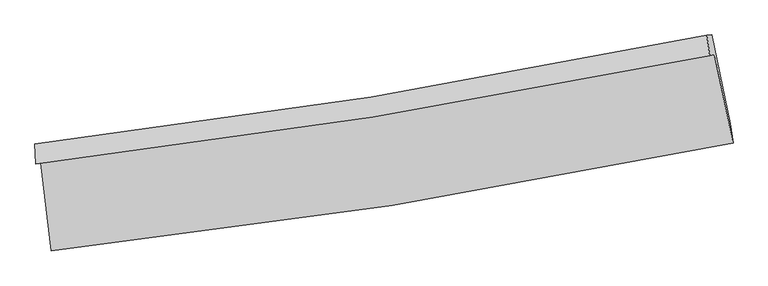
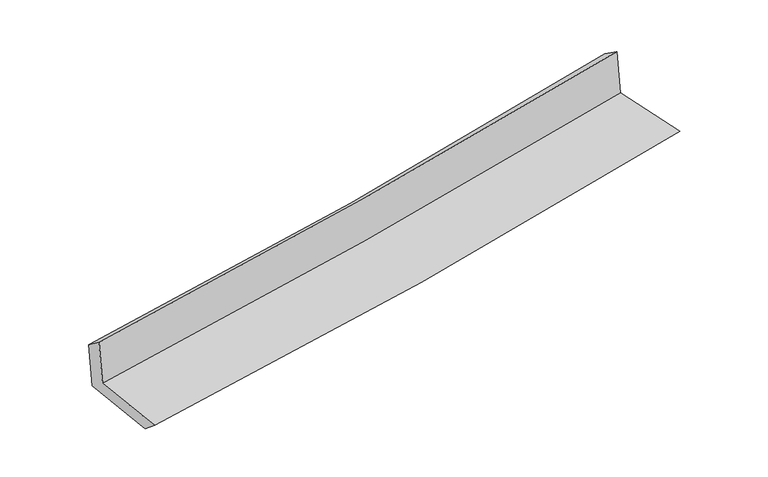
"""IFC4 building model written with IfcOpenShell, lengths in millimetres: proxy geometry."""

from ifc_helpers import new_model, si_unit, frame, origin, place, context, project, spatial, source, transform, mapped, element, save
from ifc_brep_helpers import plane_surface, spline_curve, spline_surface, advanced_brep


def generic_models_a2d21cde(model_context):
    return source(origin(), model_context, "Body", "AdvancedBrep", [
        advanced_brep(
        [(-2507.7201435, -1884.9060184, 1667.3210661), (-2430.1832947, -2534.9946331, 1647.8868351), (2595.2867874, -1739.406052, 2109.0089707), (2458.0634661, -1084.0180547, 2111.29049), (-2542.3369986, -1893.5226821, 2060.4881024), (2423.1433058, -1092.7102158, 2507.902369), (-2549.6750473, -1746.1779361, 1951.9144726), (2401.5561883, -942.920893, 2402.8901355), (-2514.8798337, -1742.7927793, 1563.5094279), (2436.8036067, -939.4620932, 2014.5565568), (-2435.9393979, -2400.1314449, 1537.9107747), (2575.2267179, -1592.5546177, 1994.141509)],
        [
            (0, 1),
            (1, 2, spline_curve(3, [(-2430.1832947, -2534.9946331, 1647.8868351), (-1589.616754113, -2442.528852642, 1725.193209696), (-751.848122367, -2330.266956901, 1802.153887481), (923.343870633, -2065.320513759, 1955.865627273), (1760.731932604, -1912.386215881, 2032.612327993), (2595.2867874, -1739.406052, 2109.0089707)], [4, 2, 4], [0.0, 8.308305910545023, 16.668856937819218])),
            (2, 3),
            (3, 0, spline_curve(3, [(2458.0634661, -1084.0180547, 2111.29049), (1633.038654045, -1252.020999458, 2042.045103696), (805.405778925, -1402.918875405, 1970.301190862), (-849.887917791, -1669.668418806, 1822.280253837), (-1677.516246022, -1785.733197091, 1746.034358695), (-2507.7201435, -1884.9060184, 1667.3210661)], [4, 2, 4], [0.0, 8.360551027274195, 16.668856937819218])),
            (4, 0),
            (3, 5),
            (5, 4, spline_curve(3, [(2423.1433058, -1092.7102158, 2507.902369), (1598.248877403, -1260.680706013, 2437.176127235), (770.706424036, -1411.556074675, 2364.405235157), (-884.486669024, -1678.280576026, 2215.24167187), (-1712.104317054, -1794.342696175, 2138.874475256), (-2542.3369986, -1893.5226821, 2060.4881024)], [4, 2, 4], [0.0, 8.311331015707887, 16.570724490735273])),
            (6, 4),
            (5, 7),
            (7, 6, spline_curve(3, [(2401.5561883, -942.920893, 2402.8901355), (1579.982602732, -1112.790800522, 2326.343856933), (755.290243837, -1264.817895143, 2250.373420513), (-895.159024572, -1532.347940146, 2100.055374204), (-1720.877077672, -1648.073193312, 2025.700589291), (-2549.6750473, -1746.1779361, 1951.9144726)], [4, 2, 4], [0.0, 8.300445333931721, 16.549021151851797])),
            (8, 6),
            (7, 9),
            (9, 8, spline_curve(3, [(2436.8036067, -939.4620932, 2014.5565568), (1614.854254209, -1109.37739157, 1941.278112712), (789.936680433, -1261.43328566, 1866.930479487), (-860.661447199, -1528.987671538, 1716.568115534), (-1686.305020417, -1644.708672515, 1640.566705645), (-2514.8798337, -1742.7927793, 1563.5094279)], [4, 2, 4], [0.0, 8.289978701291961, 16.528153292601406])),
            (10, 8),
            (9, 11),
            (11, 10, spline_curve(3, [(2575.2267179, -1592.5546177, 1994.141509), (1742.965131563, -1765.46070304, 1919.866248962), (907.919590874, -1919.363370734, 1844.587090905), (-762.503799815, -2188.318883519, 1692.497672215), (-1597.846964249, -2303.608491817, 1615.699918741), (-2435.9393979, -2400.1314449, 1537.9107747)], [4, 2, 4], [0.0, 8.339544231927485, 16.62697461867374])),
            (1, 10),
            (11, 2),
        ],
        [
            spline_surface(3, 3, [[(-2507.7201435, -1884.9060184, 1667.3210661), (-1677.516246065, -1785.733197167, 1746.034358674), (-849.887917912, -1669.66841872, 1822.28025385), (805.405779046, -1402.918875492, 1970.301190849), (1633.038654071, -1252.020999355, 2042.045103645), (2458.0634661, -1084.0180547, 2111.29049)], [(-2481.874527212, -2101.602223292, 1660.842989116), (-1648.216415438, -2004.665082358, 1739.087309016), (-817.207986052, -1889.867931452, 1815.571465042), (844.718476199, -1623.719421603, 1965.489336338), (1675.603080264, -1472.142738215, 2038.90084514), (2503.804573205, -1302.480720459, 2110.529983582)], [(-2456.028910988, -2318.298428208, 1654.364912084), (-1618.916584874, -2223.596967572, 1732.140259312), (-784.528054146, -2110.067444143, 1808.86267624), (884.031173399, -1844.519967674, 1960.677481833), (1718.167506444, -1692.264477097, 2035.75658659), (2549.545680295, -1520.943386241, 2109.769477118)], [(-2430.1832947, -2534.9946331, 1647.8868351), (-1589.616754247, -2442.528852763, 1725.193209655), (-751.848122286, -2330.266956874, 1802.153887432), (923.343870552, -2065.320513786, 1955.865627322), (1760.731932637, -1912.386215957, 2032.612328085), (2595.2867874, -1739.406052, 2109.0089707)]], [4, 4], [4, 2, 4], [0.0, 2.1997849898223163], [0.0, 8.308305910545023, 16.668856937819218]),
            spline_surface(3, 3, [[(-2542.3369986, -1893.5226821, 2060.4881024), (-1712.104317144, -1794.342696084, 2138.874475376), (-884.486669043, -1678.280576046, 2215.24167198), (770.706424055, -1411.556074654, 2364.405235046), (1598.248877422, -1260.680705973, 2437.176127341), (2423.1433058, -1092.7102158, 2507.902369)], [(-2530.798046906, -1890.650460853, 1929.432423623), (-1700.574960123, -1791.472863099, 2007.927769797), (-872.953751982, -1675.409856912, 2084.254532606), (782.272875736, -1408.677008241, 2233.037220317), (1609.845469643, -1257.79413712, 2305.465786111), (2434.783359238, -1089.812828786, 2375.698409336)], [(-2519.259095194, -1887.778239647, 1798.376744877), (-1689.045603085, -1788.603030153, 1876.981064252), (-861.420834973, -1672.539137855, 1953.267393223), (793.839327364, -1405.797941905, 2101.669205578), (1621.44206185, -1254.907568208, 2173.755444874), (2446.423412662, -1086.915441714, 2243.494449664)], [(-2507.7201435, -1884.9060184, 1667.3210661), (-1677.516246065, -1785.733197167, 1746.034358674), (-849.887917912, -1669.66841872, 1822.28025385), (805.405779046, -1402.918875492, 1970.301190849), (1633.038654071, -1252.020999355, 2042.045103645), (2458.0634661, -1084.0180547, 2111.29049)]], [4, 4], [4, 2, 4], [0.0, 1.2964333598212952], [0.0, 8.259393475027386, 16.570724490735273]),
            spline_surface(3, 3, [[(-2549.6750473, -1746.1779361, 1951.9144726), (-1720.877077764, -1648.073193186, 2025.700589345), (-895.159024637, -1532.347940051, 2100.055374073), (755.290243903, -1264.817895238, 2250.373420645), (1579.982602621, -1112.790800614, 2326.343856881), (2401.5561883, -942.920893, 2402.8901355)], [(-2547.229031062, -1795.29285146, 1988.105682552), (-1717.952824219, -1696.829694179, 2063.425218041), (-891.601572772, -1580.992152077, 2138.450806723), (760.428970621, -1313.730621738, 2288.384025459), (1586.071360881, -1162.087435707, 2363.287947035), (2408.751894127, -992.850667239, 2437.894213335)], [(-2544.783014838, -1844.40776674, 2024.296892448), (-1715.028570688, -1745.586195092, 2101.14984668), (-888.044120909, -1629.63636402, 2176.84623933), (765.567697337, -1362.643348155, 2326.394630231), (1592.160119161, -1211.384070881, 2400.232037186), (2415.947599973, -1042.780441561, 2472.898291165)], [(-2542.3369986, -1893.5226821, 2060.4881024), (-1712.104317144, -1794.342696084, 2138.874475376), (-884.486669043, -1678.280576046, 2215.24167198), (770.706424055, -1411.556074654, 2364.405235046), (1598.248877422, -1260.680705973, 2437.176127341), (2423.1433058, -1092.7102158, 2507.902369)]], [4, 4], [4, 2, 4], [0.0, 0.6113264529679145], [0.0, 8.248575817920075, 16.549021151851797]),
            spline_surface(3, 3, [[(-2514.8798337, -1742.7927793, 1563.5094279), (-1686.305020444, -1644.708672636, 1640.566705672), (-860.661447264, -1528.987671514, 1716.568115545), (789.936680498, -1261.433285684, 1866.930479477), (1614.854254076, -1109.377391495, 1941.278112598), (2436.8036067, -939.4620932, 2014.5565568)], [(-2526.478238238, -1743.921164867, 1692.97777611), (-1697.829039555, -1645.830179453, 1768.944666873), (-872.160639716, -1530.107761017, 1844.397201703), (778.387868305, -1262.561488859, 1994.744793182), (1603.230370242, -1110.51519456, 2069.633360684), (2425.054467218, -940.615026492, 2144.001083025)], [(-2538.076642762, -1745.049550533, 1822.44612439), (-1709.353058652, -1646.951686369, 1897.322628144), (-883.659832185, -1531.227850548, 1972.226287914), (766.839056096, -1263.689692063, 2122.55910694), (1591.606486454, -1111.652997549, 2197.988608795), (2413.305327782, -941.767959708, 2273.445609275)], [(-2549.6750473, -1746.1779361, 1951.9144726), (-1720.877077764, -1648.073193186, 2025.700589345), (-895.159024637, -1532.347940051, 2100.055374073), (755.290243903, -1264.817895238, 2250.373420645), (1579.982602621, -1112.790800614, 2326.343856881), (2401.5561883, -942.920893, 2402.8901355)]], [4, 4], [4, 2, 4], [0.0, 1.2632385811523945], [0.0, 8.238174591309445, 16.528153292601406]),
            spline_surface(3, 3, [[(-2435.9393979, -2400.1314449, 1537.9107747), (-1597.84696421, -2303.608491858, 1615.699918655), (-762.503799688, -2188.318883592, 1692.497672082), (907.919590746, -1919.36337066, 1844.587091039), (1742.965131496, -1765.460703161, 1919.866249045), (2575.2267179, -1592.5546177, 1994.141509)], [(-2462.252876524, -2181.018556385, 1546.443659097), (-1627.332982978, -2083.975218802, 1623.988847657), (-795.223015566, -1968.541812895, 1700.521153227), (868.591953978, -1700.05334233, 1852.034887176), (1700.261505689, -1546.766265913, 1927.003536879), (2529.085680833, -1374.857109508, 2000.946524916)], [(-2488.566355076, -1961.905667815, 1554.976543503), (-1656.819001676, -1864.341945692, 1632.27777667), (-827.942231386, -1748.764742211, 1708.5446344), (829.264317267, -1480.743314013, 1859.48268334), (1657.557879882, -1328.071828743, 1934.140824764), (2482.944643767, -1157.159601392, 2007.751540884)], [(-2514.8798337, -1742.7927793, 1563.5094279), (-1686.305020444, -1644.708672636, 1640.566705672), (-860.661447264, -1528.987671514, 1716.568115545), (789.936680498, -1261.433285684, 1866.930479477), (1614.854254076, -1109.377391495, 1941.278112598), (2436.8036067, -939.4620932, 2014.5565568)]], [4, 4], [4, 2, 4], [0.0, 2.1910986326436457], [0.0, 8.287430386746253, 16.62697461867374]),
            spline_surface(3, 3, [[(-2430.1832947, -2534.9946331, 1647.8868351), (-1589.616754247, -2442.528852763, 1725.193209655), (-751.848122286, -2330.266956874, 1802.153887432), (923.343870552, -2065.320513786, 1955.865627322), (1760.731932637, -1912.386215957, 2032.612328085), (2595.2867874, -1739.406052, 2109.0089707)], [(-2432.101995758, -2490.040237043, 1611.228148303), (-1592.36015756, -2396.222065804, 1688.695445991), (-755.400014743, -2282.950932445, 1765.60181566), (918.202443961, -2016.668132742, 1918.772781905), (1754.809665602, -1863.411045041, 1995.030301744), (2588.600097579, -1690.455573916, 2070.719816806)], [(-2434.020696842, -2445.085840957, 1574.569461497), (-1595.103560898, -2349.915278817, 1652.197682319), (-758.951907232, -2235.634908021, 1729.049743854), (913.061017337, -1968.015751704, 1881.679936456), (1748.887398531, -1814.435874077, 1957.448275385), (2581.913407721, -1641.505095784, 2032.430662894)], [(-2435.9393979, -2400.1314449, 1537.9107747), (-1597.84696421, -2303.608491858, 1615.699918655), (-762.503799688, -2188.318883592, 1692.497672082), (907.919590746, -1919.36337066, 1844.587091039), (1742.965131496, -1765.460703161, 1919.866249045), (2575.2267179, -1592.5546177, 1994.141509)]], [4, 4], [4, 2, 4], [0.0, 0.596901572486882], [0.0, 8.346782367784122, 16.746051803788063]),
            plane_surface(frame((2481.680012, -1231.8453211, 2189.9650052), z_axis=(0.9748404804143871, 0.20379505555067393, 0.09029735920028338), x_axis=(-0.09039068127451247, -0.008869962421651697, 0.9958668829243034))),
            plane_surface(frame((-2496.7891193, -2033.754249, 1738.1717798), z_axis=(-0.9892772813399368, -0.11531284371660314, -0.08962928482730463), x_axis=(-0.11837964722418672, 0.9925249993728338, 0.02967127808223746))),
        ],
        [
            (0, [[1, 2, 3, 4]]),
            (1, [[5, -4, 6, 7]]),
            (2, [[8, -7, 9, 10]]),
            (3, [[11, -10, 12, 13]]),
            (4, [[14, -13, 15, 16]]),
            (5, [[17, -16, 18, -2]]),
            (6, [[-12, -9, -6, -3, -18, -15]]),
            (7, [[-1, -5, -8, -11, -14, -17]]),
        ],
    ),
    ])


if __name__ == "__main__":
    model = new_model("IFC4")
    model_context = context("Model", 3, world=origin())
    ifc_project = project(units=[si_unit("LENGTHUNIT", "METRE", prefix="MILLI")], contexts=[model_context])
    site = spatial("IfcSite", under=ifc_project)
    building = spatial("IfcBuilding", under=site)
    placement = place(None, origin())
    generic_models_shape = generic_models_a2d21cde(model_context)
    element("IfcBuildingElementProxy", 1, Name="Generic Models", at=placement, inside=building, context=model_context, shape_type="MappedRepresentation", body=[
        mapped(generic_models_shape, transform((0.0, 0.0, 0.0), x_axis=(1.0, 0.0, 0.0), y_axis=(0.0, 1.0, 0.0), z_axis=(0.0, 0.0, 1.0))),
    ])
    save(model, "model.ifc")
